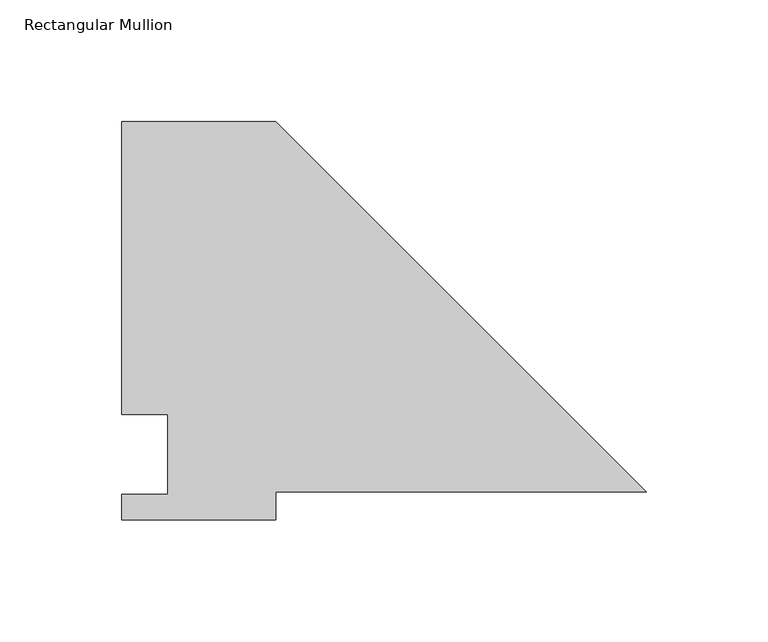
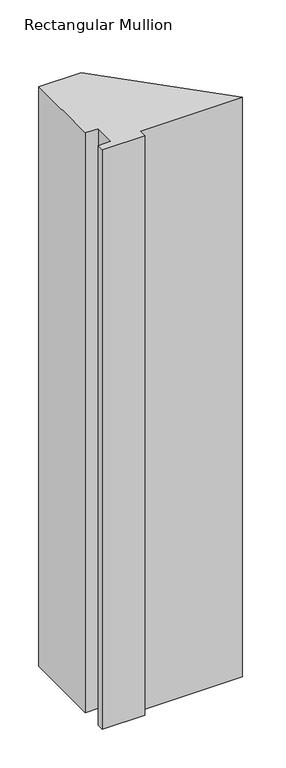
"""IFC4 building model written with IfcOpenShell, lengths in millimetres: member geometry, Rectangular Mullion."""

from ifc_helpers import new_model, si_unit, frame, origin, place, context, project, spatial, polyline, outline, extrude, source, transform, mapped, element, save


def rectangular_mullion_037faa2a(model_context):
    return source(origin(), model_context, "Body", "SweptSolid", [
        extrude(outline(polyline([(-152.4, 152.4), (0.0, 0.0), (-152.4, 0.0), (-152.4, -11.684), (-215.9, -11.684), (-215.9, -1.016), (-196.85, -1.016), (-196.85, 31.75), (-215.9, 31.75), (-215.9, 152.4), (-152.4, 152.4)])), frame((0.0, 0.0, -914.4), z_axis=(0.0, 0.0, 1.0), x_axis=(1.0, 0.0, 0.0)), (0.0, 0.0, 1.0), 914.4),
    ])


if __name__ == "__main__":
    model = new_model("IFC4")
    model_context = context("Model", 3, world=origin())
    ifc_project = project(units=[si_unit("LENGTHUNIT", "METRE", prefix="MILLI")], contexts=[model_context])
    site = spatial("IfcSite", under=ifc_project)
    building = spatial("IfcBuilding", under=site)
    placement = place(None, origin())
    rectangular_mullion_shape = rectangular_mullion_037faa2a(model_context)
    element("IfcMember", 1, ObjectType="Rectangular Mullion", at=placement, inside=building, context=model_context, shape_type="MappedRepresentation", body=[
        mapped(rectangular_mullion_shape, transform((0.0, 0.0, 0.0), x_axis=(1.0, 0.0, 0.0), y_axis=(0.0, 1.0, 0.0), z_axis=(0.0, 0.0, 1.0))),
    ])
    save(model, "model.ifc")
